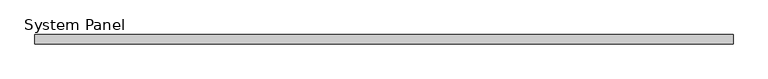
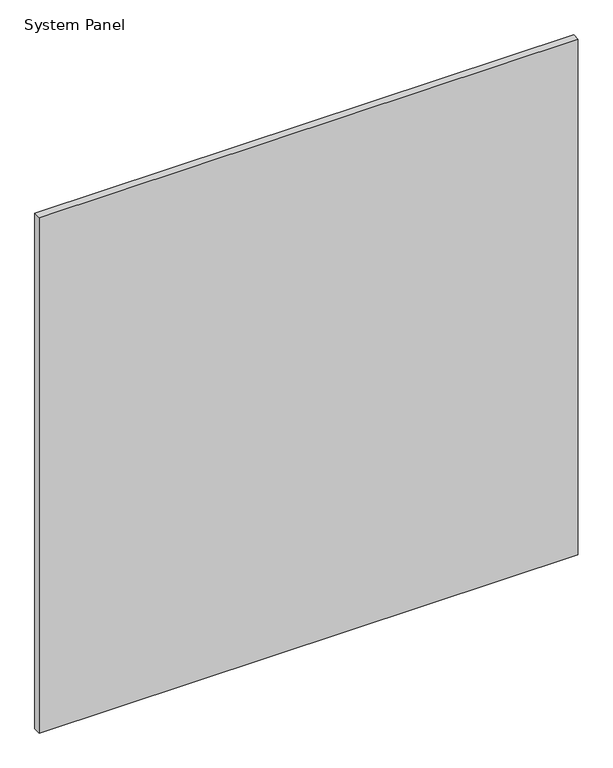
"""IFC4 building model written with IfcOpenShell, lengths in millimetres: plate geometry, System Panel."""

from ifc_helpers import new_model, si_unit, origin, origin_with_axes, place, context, project, spatial, polyline, outline, extrude, source, transform, mapped, element, save


def system_panel_0639e9f4(model_context):
    return source(origin(), model_context, "Body", "SweptSolid", [
        extrude(outline(polyline([(593.75, -8.0), (-593.75, -8.0), (-593.75, 8.0), (593.75, 8.0), (593.75, -8.0)])), origin_with_axes(), (0.0, 0.0, 1.0), 1200.0),
    ])


if __name__ == "__main__":
    model = new_model("IFC4")
    model_context = context("Model", 3, world=origin())
    ifc_project = project(units=[si_unit("LENGTHUNIT", "METRE", prefix="MILLI")], contexts=[model_context])
    site = spatial("IfcSite", under=ifc_project)
    building = spatial("IfcBuilding", under=site)
    placement = place(None, origin())
    system_panel_shape = system_panel_0639e9f4(model_context)
    element("IfcPlate", 1, ObjectType="System Panel", at=placement, inside=building, context=model_context, shape_type="MappedRepresentation", body=[
        mapped(system_panel_shape, transform((0.0, 0.0, 0.0), x_axis=(1.0, 0.0, 0.0), y_axis=(0.0, 1.0, 0.0), z_axis=(0.0, 0.0, 1.0))),
    ])
    save(model, "model.ifc")
